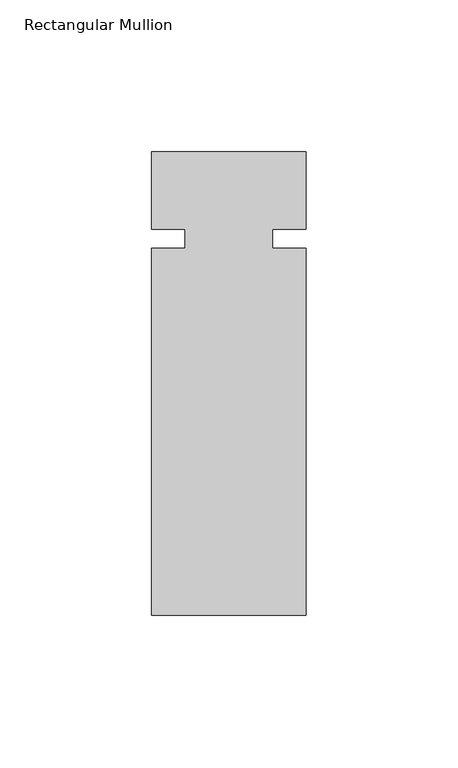
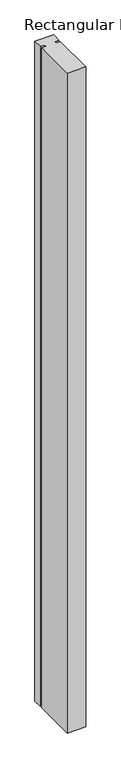
"""IFC4 building model written with IfcOpenShell, lengths in millimetres: member geometry, Rectangular Mullion."""

from ifc_helpers import new_model, si_unit, frame, origin, place, context, project, spatial, polyline, outline, extrude, source, transform, mapped, element, save


def rectangular_mullion_2c9219a9(model_context):
    return source(origin(), model_context, "Body", "SweptSolid", [
        extrude(outline(polyline([(25.4, -25.4), (14.3, -25.4), (14.3, -31.75), (25.4, -31.75), (25.4, -152.4), (-25.4, -152.4), (-25.4, -31.75), (-14.4984375, -31.75), (-14.4984375, -25.4), (-25.4, -25.4), (-25.4, 0.0), (25.4, 0.0), (25.4, -25.4)])), frame((0.0, 0.0, -1904.999416), z_axis=(0.0, 0.0, 1.0), x_axis=(1.0, 0.0, 0.0)), (0.0, 0.0, 1.0), 1904.999416),
    ])


if __name__ == "__main__":
    model = new_model("IFC4")
    model_context = context("Model", 3, world=origin())
    ifc_project = project(units=[si_unit("LENGTHUNIT", "METRE", prefix="MILLI")], contexts=[model_context])
    site = spatial("IfcSite", under=ifc_project)
    building = spatial("IfcBuilding", under=site)
    placement = place(None, origin())
    rectangular_mullion_shape = rectangular_mullion_2c9219a9(model_context)
    element("IfcMember", 1, ObjectType="Rectangular Mullion", at=placement, inside=building, context=model_context, shape_type="MappedRepresentation", body=[
        mapped(rectangular_mullion_shape, transform((0.0, 0.0, 0.0), x_axis=(1.0, 0.0, 0.0), y_axis=(0.0, 1.0, 0.0), z_axis=(0.0, 0.0, 1.0))),
    ])
    save(model, "model.ifc")
